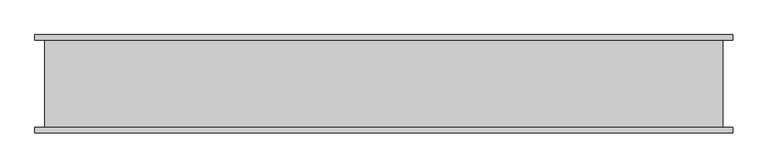
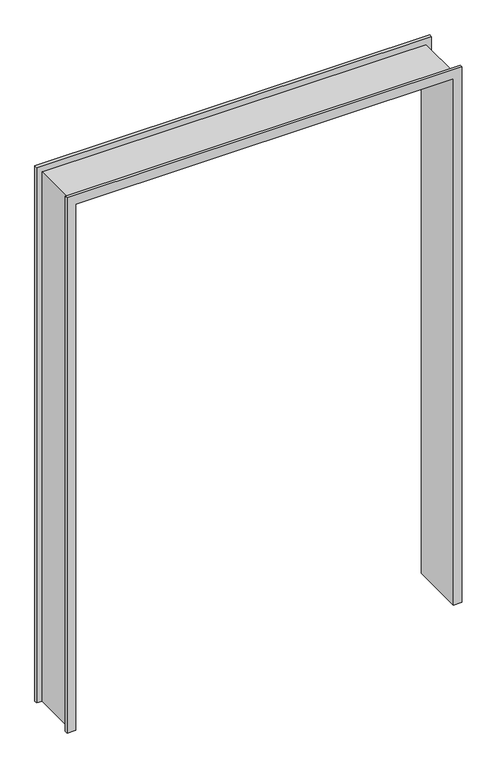
"""IFC4 building model written with IfcOpenShell, lengths in millimetres: proxy geometry."""

from ifc_helpers import new_model, si_unit, origin, place, context, project, spatial, faceted_brep, source, transform, mapped, element, save


def specialty_equipment_310f7804(model_context):
    return source(origin(), model_context, "Body", "Brep", [
        faceted_brep([(856.2442422, -7.7140625, 0.0), (856.2442422, 292.2859375, 0.0), (902.9173422, 292.2859375, 0.0), (902.9173422, 275.7859375, 0.0), (873.2442422, 275.7859375, 0.0), (873.2442422, 8.7859375, 0.0), (902.9173422, 8.7859375, 0.0), (902.9173422, -7.7140625, 0.0), (873.2442422, 8.7859375, 3012.8984), (-1196.4030564, 8.7859375, 3012.8984), (-1196.4030564, 8.7859375, 0.0), (-1226.0761564, 8.7859375, 0.0), (-1226.0761564, 8.7859375, 3047.9944), (902.9173422, 8.7859375, 3047.9944), (-1179.4030564, -7.7140625, 0.0), (-1179.4030564, -7.7140625, 2995.8984), (856.2442422, -7.7140625, 2995.8984), (902.9173422, -7.7140625, 3047.9944), (-1226.0761564, -7.7140625, 3047.9944), (-1226.0761564, -7.7140625, 0.0), (856.2442422, 292.2859375, 2995.8984), (-1179.4030564, 292.2859375, 2995.8984), (-1179.4030564, 292.2859375, 0.0), (-1226.0761564, 292.2859375, 0.0), (-1226.0761564, 292.2859375, 3047.9944), (902.9173422, 292.2859375, 3047.9944), (-1196.4030564, 275.7859375, 0.0), (-1196.4030564, 275.7859375, 3012.8984), (873.2442422, 275.7859375, 3012.8984), (902.9173422, 275.7859375, 3047.9944), (-1226.0761564, 275.7859375, 3047.9944), (-1226.0761564, 275.7859375, 0.0)], [[[0, 1, 2, 3, 4, 5, 6, 7]], [[5, 8, 9, 10, 11, 12, 13, 6]], [[14, 15, 16, 0, 7, 17, 18, 19]], [[1, 0, 16, 20]], [[1, 20, 21, 22, 23, 24, 25, 2]], [[26, 27, 28, 4, 3, 29, 30, 31]], [[5, 4, 28, 8]], [[18, 17, 13, 12]], [[16, 15, 21, 20]], [[30, 29, 25, 24]], [[9, 8, 28, 27]], [[10, 26, 31, 23, 22, 14, 19, 11]], [[15, 14, 22, 21]], [[10, 9, 27, 26]], [[12, 11, 19, 18]], [[24, 23, 31, 30]], [[3, 2, 25, 29]], [[7, 6, 13, 17]]]),
    ])


if __name__ == "__main__":
    model = new_model("IFC4")
    model_context = context("Model", 3, world=origin())
    ifc_project = project(units=[si_unit("LENGTHUNIT", "METRE", prefix="MILLI")], contexts=[model_context])
    site = spatial("IfcSite", under=ifc_project)
    building = spatial("IfcBuilding", under=site)
    placement = place(None, origin())
    specialty_equipment_shape = specialty_equipment_310f7804(model_context)
    element("IfcBuildingElementProxy", 1, Name="Specialty Equipment", at=placement, inside=building, context=model_context, shape_type="MappedRepresentation", body=[
        mapped(specialty_equipment_shape, transform((0.0, 0.0, 0.0), x_axis=(1.0, 0.0, 0.0), y_axis=(0.0, 1.0, 0.0), z_axis=(0.0, 0.0, 1.0))),
    ])
    save(model, "model.ifc")
